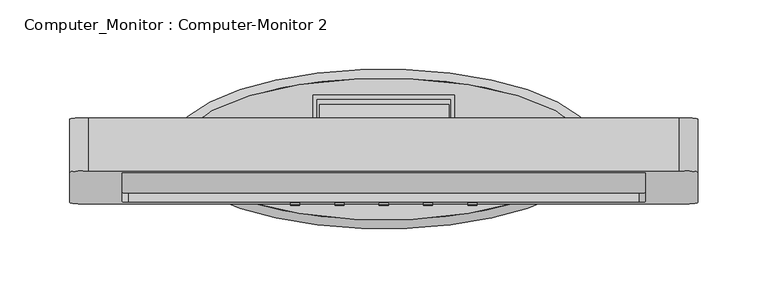
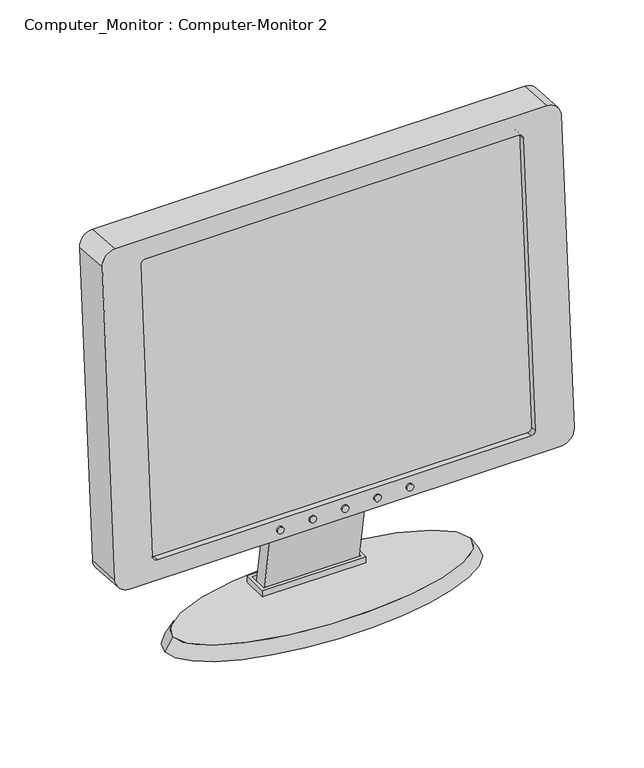
"""IFC4 building model written with IfcOpenShell, lengths in millimetres: furniture geometry, Computer_Monitor : Computer-Monitor 2."""

import ifcopenshell
import ifcopenshell.guid

model = None  # the IFC model being written
_history = None  # IfcOwnerHistory: only IFC2X3 demands one
_inside = {}  # id of a spatial element -> (the spatial element, [elements in it])
_under = {}  # id of a project, library or spatial element -> (it, [spatial elements below it])
_declared = {}  # id of a project -> (the project, [libraries it declares])
_typed = {}  # id of a type object -> (the type object, [elements of that type])
_made_of = {}  # id of a material, layer set ... -> (it, [elements and type objects made of it])


def new_model(schema):
    """Start an empty IFC model of exactly this schema.

    Asked for "IFC4X3", IfcOpenShell would pick the latest addendum, in which some entities
    have other attributes; the version numbers below select the first issue.
    IFC2X3 requires an IfcOwnerHistory on every rooted entity: one is made here for all.
    """
    global model, _history
    if schema == "IFC4X3":
        model = ifcopenshell.file(schema_version=(4, 3, 0, 0))
    else:
        model = ifcopenshell.file(schema=schema)
    _inside.clear()
    _under.clear()
    _declared.clear()
    _typed.clear()
    _made_of.clear()
    _history = None
    if model.schema == "IFC2X3":
        org = make("IfcOrganization", Name="unknown")
        user = make(
            "IfcPersonAndOrganization",
            ThePerson=make("IfcPerson", FamilyName="unknown"),
            TheOrganization=org,
        )
        app = make(
            "IfcApplication",
            ApplicationDeveloper=org,
            Version="unknown",
            ApplicationFullName="unknown",
            ApplicationIdentifier="unknown",
        )
        _history = make(
            "IfcOwnerHistory",
            OwningUser=user,
            OwningApplication=app,
            ChangeAction="ADDED",
            CreationDate=0,
        )
    return model


def make(cls, **values):
    """One entity of the class cls with the attributes given. An attribute that is None is left unset."""
    return model.create_entity(
        cls, **{name: value for name, value in values.items() if value is not None}
    )


def rooted(cls, **values):
    """An entity with a GlobalId (a new one), such as an element, a storey or a relation."""
    return make(cls, GlobalId=ifcopenshell.guid.new(), OwnerHistory=_history, **values)


def si_unit(unit_type, name, prefix=None):
    """IfcSIUnit, for example si_unit("LENGTHUNIT", "METRE", prefix="MILLI")."""
    return make("IfcSIUnit", UnitType=unit_type, Prefix=prefix, Name=name)


def assignment(units):
    """IfcUnitAssignment: the units of a project."""
    return None if units is None else make("IfcUnitAssignment", Units=units)


def point(xyz):
    """IfcCartesianPoint."""
    return None if xyz is None else make("IfcCartesianPoint", Coordinates=xyz)


def direction(xyz):
    """IfcDirection."""
    return None if xyz is None else make("IfcDirection", DirectionRatios=xyz)


def frame(location, z_axis=None, x_axis=None):
    """IfcAxis2Placement3D, a coordinate frame: its origin and axes. An axis left out is left unset."""
    return make(
        "IfcAxis2Placement3D",
        Location=point(location),
        Axis=direction(z_axis),
        RefDirection=direction(x_axis),
    )


def frame_2d(location, x_axis=None):
    """IfcAxis2Placement2D, a coordinate frame in the plane: its origin and x axis."""
    return make(
        "IfcAxis2Placement2D", Location=point(location), RefDirection=direction(x_axis)
    )


def origin():
    """The frame at (0, 0, 0) with its axes left unset."""
    return frame((0.0, 0.0, 0.0))


def place(relative_to, where):
    """IfcLocalPlacement: puts the frame where relative to a parent placement (None: the world)."""
    return make(
        "IfcLocalPlacement", PlacementRelTo=relative_to, RelativePlacement=where
    )


def context(
    kind, dimensions, precision=None, world=None, true_north=None, identifier=None
):
    """IfcGeometricRepresentationContext, for example the 3D "Model" context."""
    return make(
        "IfcGeometricRepresentationContext",
        ContextIdentifier=identifier,
        ContextType=kind,
        CoordinateSpaceDimension=dimensions,
        Precision=precision,
        WorldCoordinateSystem=world,
        TrueNorth=true_north,
    )


def project(units=None, contexts=None):
    """IfcProject with its units and contexts."""
    return rooted(
        "IfcProject",
        Name="project",
        RepresentationContexts=contexts,
        UnitsInContext=assignment(units),
    )


def spatial(cls, under=None, at=None, **own):
    """A site, building, storey or space (cls), placed at a placement, below another one or the project."""
    s = rooted(cls, ObjectPlacement=at, **own)
    if under is not None:
        _under.setdefault(under.id(), (under, []))[1].append(s)
    return s


def polyline(points):
    """IfcPolyline through the points."""
    return make("IfcPolyline", Points=[point(p) for p in points])


def circle_curve(where, radius):
    """IfcCircle in the frame where."""
    return make("IfcCircle", Position=where, Radius=radius)


def ellipse_curve(where, semi_axis1, semi_axis2):
    """IfcEllipse in the frame where."""
    return make(
        "IfcEllipse", Position=where, SemiAxis1=semi_axis1, SemiAxis2=semi_axis2
    )


def trimmed(basis, trim1, trim2, sense, master):
    """IfcTrimmedCurve: the piece of a basis curve between two trims."""
    return make(
        "IfcTrimmedCurve",
        BasisCurve=basis,
        Trim1=trim1,
        Trim2=trim2,
        SenseAgreement=sense,
        MasterRepresentation=master,
    )


def segment(curve, same_sense, transition):
    """IfcCompositeCurveSegment."""
    return make(
        "IfcCompositeCurveSegment",
        Transition=transition,
        SameSense=same_sense,
        ParentCurve=curve,
    )


def composite_curve(segments, self_intersect=None):
    """IfcCompositeCurve: segments joined end to end."""
    return make("IfcCompositeCurve", Segments=segments, SelfIntersect=self_intersect)


def outline(outer, holes=None, kind="AREA"):
    """IfcArbitraryClosedProfileDef: a profile drawn as a closed curve; with holes, ...WithVoids."""
    if holes is None:
        return make("IfcArbitraryClosedProfileDef", ProfileType=kind, OuterCurve=outer)
    return make(
        "IfcArbitraryProfileDefWithVoids",
        ProfileType=kind,
        OuterCurve=outer,
        InnerCurves=holes,
    )


def extrude(swept, where, along, depth):
    """IfcExtrudedAreaSolid: the profile swept, set in the frame where, extruded along a direction by depth."""
    return make(
        "IfcExtrudedAreaSolid",
        SweptArea=swept,
        Position=where,
        ExtrudedDirection=direction(along),
        Depth=depth,
    )


def shape(context_of_items, identifier, shape_type, items):
    """IfcShapeRepresentation: the items that make up one representation, for example the "Body"."""
    return make(
        "IfcShapeRepresentation",
        ContextOfItems=context_of_items,
        RepresentationIdentifier=identifier,
        RepresentationType=shape_type,
        Items=items,
    )


def source(mapping_origin, context_of_items, identifier, shape_type, items):
    """IfcRepresentationMap: a shape defined once, which mapped items show again and again."""
    return make(
        "IfcRepresentationMap",
        MappingOrigin=mapping_origin,
        MappedRepresentation=shape(context_of_items, identifier, shape_type, items),
    )


def transform(
    local_origin,
    x_axis=None,
    y_axis=None,
    z_axis=None,
    scale=None,
    scale2=None,
    scale3=None,
    uniform=True,
):
    """IfcCartesianTransformationOperator3D, or its non-uniform kind. x_axis, y_axis, z_axis: its Axis1, 2, 3."""
    if uniform:
        return make(
            "IfcCartesianTransformationOperator3D",
            Axis1=direction(x_axis),
            Axis2=direction(y_axis),
            LocalOrigin=point(local_origin),
            Scale=scale,
            Axis3=direction(z_axis),
        )
    return make(
        "IfcCartesianTransformationOperator3DnonUniform",
        Axis1=direction(x_axis),
        Axis2=direction(y_axis),
        LocalOrigin=point(local_origin),
        Scale=scale,
        Axis3=direction(z_axis),
        Scale2=scale2,
        Scale3=scale3,
    )


def mapped(mapping_source, mapping_target):
    """IfcMappedItem: shows the shape of a source again, moved by a transform."""
    return make(
        "IfcMappedItem", MappingSource=mapping_source, MappingTarget=mapping_target
    )


def made_of(thing, what):
    """Note that an element or type object is made of a material, layer set ...; save() writes the relation."""
    if what is not None:
        _made_of.setdefault(what.id(), (what, []))[1].append(thing)
    return thing


def element(
    cls,
    number,
    at=None,
    inside=None,
    cuts=None,
    type_object=None,
    material=None,
    context=None,
    identifier="Body",
    shape_type=None,
    held_by="IfcProductDefinitionShape",
    body=None,
    shapes=None,
    **own,
):
    """One element of the class cls, such as IfcWall. Its Tag is "e" and its number.

    at: its placement. inside: the storey or other place that contains it. cuts: it is an
    opening in that element (IfcRelVoidsElement). A single representation is given by context,
    identifier, shape_type and body (its items); several are given by shapes. held_by: the class
    of the entity that holds the representations. save() writes the other relations.
    """
    e = rooted(cls, Tag="e%d" % number, ObjectPlacement=at, **own)
    if body is not None:
        shapes = [shape(context, identifier, shape_type, body)]
    if shapes is not None:
        e.Representation = make(held_by, Representations=shapes)
    if inside is not None:
        _inside.setdefault(inside.id(), (inside, []))[1].append(e)
    if cuts is not None:
        rooted(
            "IfcRelVoidsElement", RelatingBuildingElement=cuts, RelatedOpeningElement=e
        )
    if type_object is not None:
        _typed.setdefault(type_object.id(), (type_object, []))[1].append(e)
    return made_of(e, material)


def aggregate(whole, parts):
    """IfcRelAggregates: a whole, such as a stair, and the parts it consists of."""
    return rooted("IfcRelAggregates", RelatingObject=whole, RelatedObjects=parts)


def save(model, path):
    """Write the relations noted so far, then the file.

    IfcRelAggregates (storeys below a building ...), IfcRelContainedInSpatialStructure (elements
    in a storey), IfcRelDefinesByType, IfcRelAssociatesMaterial and IfcRelDeclares: one each for
    every whole, place, type object, material and project.
    """
    for whole, parts in _under.values():
        aggregate(whole, parts)
    for where, things in _inside.values():
        rooted(
            "IfcRelContainedInSpatialStructure",
            RelatedElements=things,
            RelatingStructure=where,
        )
    for kind, things in _typed.values():
        rooted("IfcRelDefinesByType", RelatedObjects=things, RelatingType=kind)
    for what, things in _made_of.values():
        rooted("IfcRelAssociatesMaterial", RelatedObjects=things, RelatingMaterial=what)
    for by, libraries in _declared.values():
        rooted("IfcRelDeclares", RelatingContext=by, RelatedDefinitions=libraries)
    model.write(path)


def plane_surface(at):
    """IfcPlane: the flat surface through the origin of the frame at, square to its z axis."""
    return make("IfcPlane", Position=at)


def spline_surface(u_degree, v_degree, points, u_multiplicities, v_multiplicities, u_knots, v_knots, weights=None):
    """IfcBSplineSurfaceWithKnots; with weights, IfcRationalBSplineSurfaceWithKnots. points: one row for each step in u."""
    own = dict(
        UDegree=u_degree,
        VDegree=v_degree,
        ControlPointsList=[[point(p) for p in row] for row in points],
        SurfaceForm="UNSPECIFIED",
        UClosed=False,
        VClosed=False,
        SelfIntersect=False,
        UMultiplicities=u_multiplicities,
        VMultiplicities=v_multiplicities,
        UKnots=u_knots,
        VKnots=v_knots,
        KnotSpec="UNSPECIFIED",
    )
    if weights is None:
        return make("IfcBSplineSurfaceWithKnots", **own)
    return make("IfcRationalBSplineSurfaceWithKnots", WeightsData=weights, **own)


def advanced_brep(points, edges, surfaces, faces):
    """IfcAdvancedBrep: a solid bounded by faces that lie on surfaces and meet in shared edges.

    An edge is (start, end): straight between two places in points (the first is 0);
    or (start, end, curve); or (start, end, curve, False) where it runs against its curve.
    A face is (place in surfaces, loops), or (place, loops, False) where it looks against
    its surface's normal. A loop lists edges by number (the first is 1), with a minus sign
    where the edge is run from its end to its start. The first loop is the outer one.
    """
    corners = [point(p) for p in points]
    vertices = [make("IfcVertexPoint", VertexGeometry=c) for c in corners]
    made = []
    for start, end, *more in edges:
        made.append(
            make(
                "IfcEdgeCurve",
                EdgeStart=vertices[start],
                EdgeEnd=vertices[end],
                EdgeGeometry=more[0] if more else make("IfcPolyline", Points=[corners[start], corners[end]]),
                SameSense=more[1] if len(more) > 1 else True,
            )
        )
    hull = []
    for where, loops, *sense in faces:
        bounds = []
        for j, loop in enumerate(loops):
            ring = [make("IfcOrientedEdge", EdgeElement=made[abs(k) - 1], Orientation=k > 0) for k in loop]
            bounds.append(
                make(
                    "IfcFaceOuterBound" if j == 0 else "IfcFaceBound",
                    Bound=make("IfcEdgeLoop", EdgeList=ring),
                    Orientation=True,
                )
            )
        hull.append(make("IfcAdvancedFace", Bounds=bounds, FaceSurface=surfaces[where], SameSense=sense[0] if sense else True))
    return make("IfcAdvancedBrep", Outer=make("IfcClosedShell", CfsFaces=hull))


def computer_monitor_computer_monitor_2_dc6c6e44(model_context):
    return source(origin(), model_context, "Body", "SolidModel", [
        extrude(outline(polyline([(33.273182, 768.35), (20.7512528, 766.2307338), (1.3203812, 881.0402834), (9.8421846, 1002.907749), (22.511248, 1002.0218418), (14.0951295, 881.6657391), (33.273182, 768.35)])), frame((-45.999954, 0.0, 0.0), z_axis=(1.0, 0.0, 0.0), x_axis=(0.0, 1.0, 0.0)), (0.0, 0.0, 1.0), 92.6634725),
        extrude(outline(polyline([(50.8, 40.1359801), (50.8, 14.7359801), (-50.8, 14.7359801), (-50.8, 40.1359801), (50.8, 40.1359801)]), holes=[polyline([(47.625, 36.9609801), (-47.625, 36.9609801), (-47.625, 17.9109801), (47.625, 17.9109801), (47.625, 36.9609801)])]), frame((0.0, 0.0, 768.35), z_axis=(0.0, 0.0, 1.0), x_axis=(1.0, 0.0, 0.0)), (0.0, 0.0, 1.0), 6.35),
        advanced_brep(
        [(146.05, 1.3951295, 768.35), (-146.05, 1.3951295, 768.35), (153.9875, 1.3951295, 755.65), (-153.9875, 1.3951295, 755.65)],
        [
            (0, 1, ellipse_curve(frame((0.0, 1.3951295, 768.35), z_axis=(0.0, 0.0, 1.0), x_axis=(-1.0, 0.0, 0.0)), 146.05, 50.8)),
            (1, 0, ellipse_curve(frame((0.0, 1.3951295, 768.35), z_axis=(0.0, 0.0, 1.0), x_axis=(-1.0, 0.0, 0.0)), 146.05, 50.8)),
            (2, 3, ellipse_curve(frame((0.0, 1.3951295, 755.65), z_axis=(0.0, 0.0, -1.0), x_axis=(-1.0, 0.0, 0.0)), 153.9875, 57.15)),
            (3, 2, ellipse_curve(frame((0.0, 1.3951295, 755.65), z_axis=(0.0, 0.0, -1.0), x_axis=(-1.0, 0.0, 0.0)), 153.9875, 57.15)),
            (3, 1),
            (0, 2),
        ],
        [
            plane_surface(frame((0.0, 1.3951295, 768.35), z_axis=(0.0, 0.0, 1.0), x_axis=(0.0, 1.0, 0.0))),
            plane_surface(frame((0.0, 1.3951295, 755.65), z_axis=(0.0, 0.0, -1.0), x_axis=(0.0, 1.0, 0.0))),
            spline_surface(2, 1, [[(153.9875, 1.3951295, 755.65), (146.05, 1.3951295, 768.35)], [(153.9875, 58.5451295, 755.65), (146.05, 52.1951295, 768.35)], [(0.0, 58.5451295, 755.65), (0.0, 52.1951295, 768.35)], [(-153.9875, 58.5451295, 755.65), (-146.05, 52.1951295, 768.35)], [(-153.9875, 1.3951295, 755.65), (-146.05, 1.3951295, 768.35)]], [3, 2, 3], [2, 2], [0.0, 1.0, 2.0], [0.0, 1.0], weights=[[1.0, 1.0], [0.7071067811865476, 0.7071067811865476], [1.0, 1.0], [0.7071067811865476, 0.7071067811865476], [1.0, 1.0]]),
            spline_surface(2, 1, [[(-153.9875, 1.3951295, 755.65), (-146.05, 1.3951295, 768.35)], [(-153.9875, -55.754870499999996, 755.65), (-146.05, -49.404870499999994, 768.35)], [(0.0, -55.754870499999996, 755.65), (0.0, -49.404870499999994, 768.35)], [(153.9875, -55.754870499999996, 755.65), (146.05, -49.404870499999994, 768.35)], [(153.9875, 1.3951295, 755.65), (146.05, 1.3951295, 768.35)]], [3, 2, 3], [2, 2], [0.0, 1.0, 2.0], [0.0, 1.0], weights=[[1.0, 1.0], [0.7071067811865476, 0.7071067811865476], [1.0, 1.0], [0.7071067811865476, 0.7071067811865476], [1.0, 1.0]]),
        ],
        [
            (0, [[1, 2]]),
            (1, [[3, 4]]),
            (2, [[-4, 5, -1, 6]]),
            (3, [[-3, -6, -2, -5]]),
        ],
    ),
        extrude(outline(composite_curve([segment(trimmed(circle_curve(frame_2d((0.0, -3.2238776)), 3.2238776), [point((0.0, -6.4477552))], [point((0.0, 0.0))], False, "CARTESIAN"), True, "CONTINUOUS"), segment(trimmed(circle_curve(frame_2d((0.0, -3.2238776)), 3.2238776), [point((0.0, 0.0))], [point((0.0, -6.4477552))], False, "CARTESIAN"), True, "CONTINUOUS")], self_intersect=False)), frame((-60.2761224, -37.3170375, 874.2418252), z_axis=(0.0, -0.9975640502598256, 0.06975647374410573), x_axis=(0.0, -0.06975647374410573, -0.9975640502598256)), (0.0, 0.0, 1.0), 1.5875),
        extrude(outline(composite_curve([segment(trimmed(circle_curve(frame_2d((0.0, 28.5261224)), 3.2238776), [point((0.0, 25.3022448))], [point((0.0, 31.75))], False, "CARTESIAN"), True, "CONTINUOUS"), segment(trimmed(circle_curve(frame_2d((0.0, 28.5261224)), 3.2238776), [point((0.0, 31.75))], [point((0.0, 25.3022448))], False, "CARTESIAN"), True, "CONTINUOUS")], self_intersect=False)), frame((-60.2761224, -37.3170375, 874.2418252), z_axis=(0.0, -0.9975640502598256, 0.06975647374410573), x_axis=(0.0, -0.06975647374410573, -0.9975640502598256)), (0.0, 0.0, 1.0), 1.5875),
        extrude(outline(composite_curve([segment(trimmed(circle_curve(frame_2d((0.0, 60.2761224)), 3.2238776), [point((0.0, 57.0522448))], [point((0.0, 63.5))], False, "CARTESIAN"), True, "CONTINUOUS"), segment(trimmed(circle_curve(frame_2d((0.0, 60.2761224)), 3.2238776), [point((0.0, 63.5))], [point((0.0, 57.0522448))], False, "CARTESIAN"), True, "CONTINUOUS")], self_intersect=False)), frame((-60.2761224, -37.3170375, 874.2418252), z_axis=(0.0, -0.9975640502598256, 0.06975647374410573), x_axis=(0.0, -0.06975647374410573, -0.9975640502598256)), (0.0, 0.0, 1.0), 1.5875),
        extrude(outline(composite_curve([segment(trimmed(circle_curve(frame_2d((0.0, 92.0261224)), 3.2238776), [point((0.0, 88.8022448))], [point((0.0, 95.25))], False, "CARTESIAN"), True, "CONTINUOUS"), segment(trimmed(circle_curve(frame_2d((0.0, 92.0261224)), 3.2238776), [point((0.0, 95.25))], [point((0.0, 88.8022448))], False, "CARTESIAN"), True, "CONTINUOUS")], self_intersect=False)), frame((-60.2761224, -37.3170375, 874.2418252), z_axis=(0.0, -0.9975640502598256, 0.06975647374410573), x_axis=(0.0, -0.06975647374410573, -0.9975640502598256)), (0.0, 0.0, 1.0), 1.5875),
        extrude(outline(composite_curve([segment(trimmed(circle_curve(frame_2d((0.0, 123.7761224)), 3.2238776), [point((0.0, 120.5522448))], [point((0.0, 127.0))], False, "CARTESIAN"), True, "CONTINUOUS"), segment(trimmed(circle_curve(frame_2d((0.0, 123.7761224)), 3.2238776), [point((0.0, 127.0))], [point((0.0, 120.5522448))], False, "CARTESIAN"), True, "CONTINUOUS")], self_intersect=False)), frame((-60.2761224, -37.3170375, 874.2418252), z_axis=(0.0, -0.9975640502598256, 0.06975647374410573), x_axis=(0.0, -0.06975647374410573, -0.9975640502598256)), (0.0, 0.0, 1.0), 1.5875),
        extrude(outline(composite_curve([segment(trimmed(circle_curve(frame_2d((291.4409064, -4.2795468)), 4.2795468), [point((291.4409064, 0.0))], [point((295.7204533, -4.2795468))], False, "CARTESIAN"), True, "CONTINUOUS"), segment(polyline([(295.7204533, -4.2795468), (295.7204533, -370.7204532)]), True, "CONTINUOUS"), segment(trimmed(circle_curve(frame_2d((291.4409064, -370.7204532)), 4.2795468), [point((295.7204533, -370.7204532))], [point((291.4409064, -375.0))], False, "CARTESIAN"), True, "CONTINUOUS"), segment(polyline([(291.4409064, -375.0), (0.0, -375.0)]), True, "CONTINUOUS"), segment(trimmed(circle_curve(frame_2d((0.0, -370.7204532)), 4.2795468), [point((0.0, -375.0))], [point((-4.2795468, -370.7204532))], False, "CARTESIAN"), True, "CONTINUOUS"), segment(polyline([(-4.2795468, -370.7204532), (-4.2795468, -4.2795468)]), True, "CONTINUOUS"), segment(trimmed(circle_curve(frame_2d((0.0, -4.2795468)), 4.2795468), [point((-4.2795468, -4.2795468))], [point((0.0, 0.0))], False, "CARTESIAN"), True, "CONTINUOUS"), segment(polyline([(0.0, 0.0), (291.4409064, 0.0)]), True, "CONTINUOUS")], self_intersect=False)), frame((-187.5, 1.6936556, 885.9348611), z_axis=(0.0, -0.9975640502598256, 0.06975647374410573), x_axis=(0.0, 0.06975647374410573, 0.9975640502598256)), (0.0, 0.0, 1.0), 31.75),
        extrude(outline(composite_curve([segment(trimmed(circle_curve(frame_2d((423.0625428, -13.4687285)), 13.4687286), [point((423.0625428, 0.0))], [point((436.5312714, -13.4687285))], False, "CARTESIAN"), True, "CONTINUOUS"), segment(polyline([(436.5312714, -13.4687285), (436.5312714, -325.6717948)]), True, "CONTINUOUS"), segment(trimmed(circle_curve(frame_2d((423.0312891, -325.6717948)), 13.4999823), [point((436.5312714, -325.6717948))], [point((423.0312891, -339.1717771))], False, "CARTESIAN"), True, "CONTINUOUS"), segment(polyline([(423.0312891, -339.1717771), (0.0312537, -339.1717771)]), True, "CONTINUOUS"), segment(trimmed(circle_curve(frame_2d((0.0312537, -325.6717948)), 13.4999823), [point((0.0312537, -339.1717771))], [point((-13.4687286, -325.6717948))], False, "CARTESIAN"), True, "CONTINUOUS"), segment(polyline([(-13.4687286, -325.6717948), (-13.4687286, -13.4687285)]), True, "CONTINUOUS"), segment(trimmed(circle_curve(frame_2d((0.0, -13.4687285)), 13.4687286), [point((-13.4687286, -13.4687285))], [point((0.0, 0.0))], False, "CARTESIAN"), True, "CONTINUOUS"), segment(polyline([(0.0, 0.0), (423.0625428, 0.0)]), True, "CONTINUOUS")], self_intersect=False), holes=[composite_curve([segment(polyline([(28.2834577, -319.2204961), (394.7790851, -319.2204961)]), True, "CONTINUOUS"), segment(trimmed(circle_curve(frame_2d((394.7790851, -315.1402591)), 4.0802369), [point((394.7790851, -319.2204961))], [point((398.859322, -315.1402591))], True, "CARTESIAN"), True, "CONTINUOUS"), segment(polyline([(398.859322, -315.1402591), (398.859322, -24.0002642)]), True, "CONTINUOUS"), segment(trimmed(circle_curve(frame_2d((394.8103388, -24.0002642)), 4.0489832), [point((398.859322, -24.0002642))], [point((394.8103388, -19.951281))], True, "CARTESIAN"), True, "CONTINUOUS"), segment(polyline([(394.8103388, -19.951281), (28.252204, -19.951281)]), True, "CONTINUOUS"), segment(trimmed(circle_curve(frame_2d((28.252204, -24.0002642)), 4.0489832), [point((28.252204, -19.951281))], [point((24.2032208, -24.0002642))], True, "CARTESIAN"), True, "CONTINUOUS"), segment(polyline([(24.2032208, -24.0002642), (24.2032208, -315.1402591)]), True, "CONTINUOUS"), segment(trimmed(circle_curve(frame_2d((28.2834577, -315.1402591)), 4.0802369), [point((24.2032208, -315.1402591))], [point((28.2834577, -319.2204961))], True, "CARTESIAN"), True, "CONTINUOUS")], self_intersect=False)]), frame((-211.5312714, 23.6855889, 1200.4341605), z_axis=(0.0, -0.9975640502598258, 0.06975647374410575), x_axis=(1.0, 0.0, 0.0)), (0.0, 0.0, 1.0), 38.1),
    ])


if __name__ == "__main__":
    model = new_model("IFC4")
    model_context = context("Model", 3, world=origin())
    ifc_project = project(units=[si_unit("LENGTHUNIT", "METRE", prefix="MILLI")], contexts=[model_context])
    site = spatial("IfcSite", under=ifc_project)
    building = spatial("IfcBuilding", under=site)
    placement = place(None, origin())
    computer_monitor_computer_monitor_2_shape = computer_monitor_computer_monitor_2_dc6c6e44(model_context)
    element("IfcFurniture", 1, ObjectType="Computer_Monitor : Computer-Monitor 2", at=placement, inside=building, context=model_context, shape_type="MappedRepresentation", body=[
        mapped(computer_monitor_computer_monitor_2_shape, transform((0.0, 0.0, 0.0), x_axis=(1.0, 0.0, 0.0), y_axis=(0.0, 1.0, 0.0), z_axis=(0.0, 0.0, 1.0))),
    ])
    save(model, "model.ifc")
